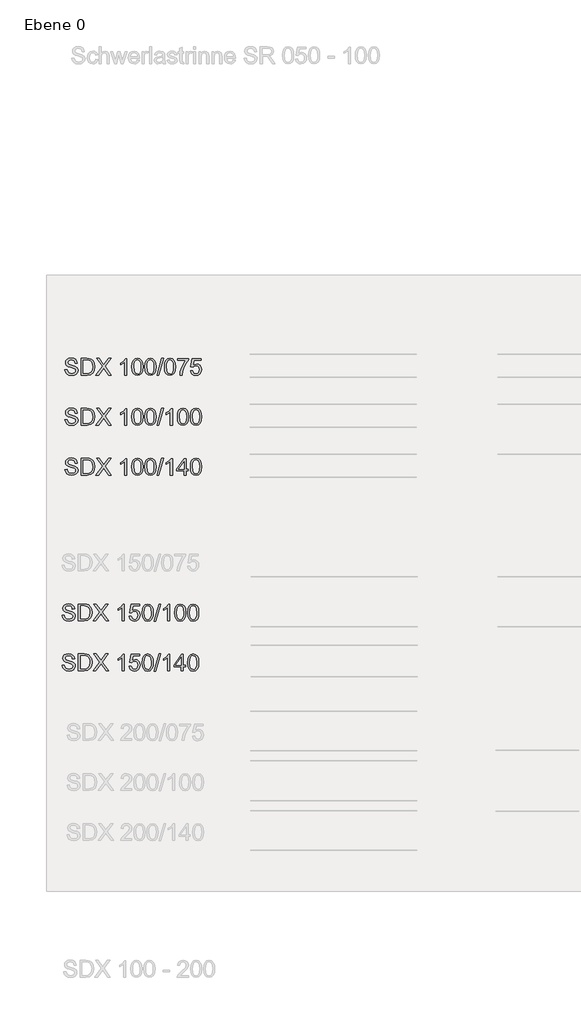
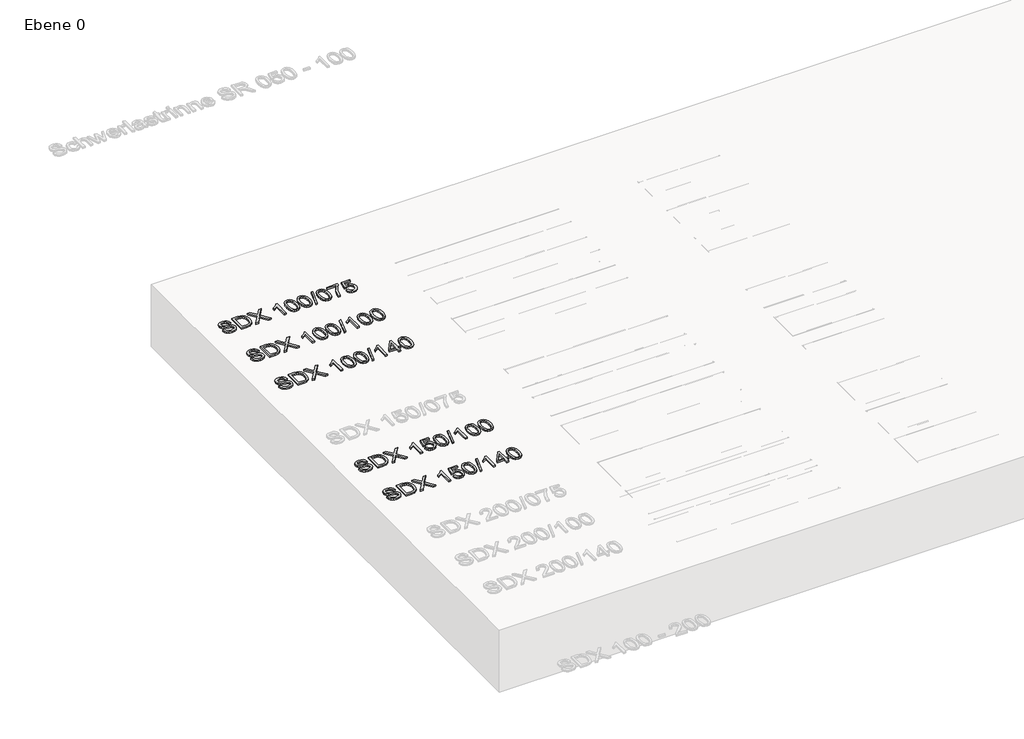
# One storey, part 3 of 8: 5 proxies.
"""IFC4 building model written with IfcOpenShell, lengths in millimetres."""

from ifc_helpers import new_model, si_unit, origin, origin_with_axes, place, context, project, spatial, polyline, outline, extrude, element, save

model = new_model("IFC4")

# Units and contexts
model_context = context("Model", 3, world=origin())
ifc_project = project(units=[si_unit("LENGTHUNIT", "METRE", prefix="MILLI")], contexts=[model_context])

# Site, building, storey
site = spatial("IfcSite", under=ifc_project)
building = spatial("IfcBuilding", under=site)
storey = spatial("IfcBuildingStorey", under=building, Name="Ebene 0", Elevation=0.0)

# Proxies
placement = place(None, origin())
element("IfcBuildingElementProxy", 1, Name="100mm ACO", ObjectType="100mm ACO", at=placement, inside=storey, context=model_context, shape_type="SweptSolid", body=[
    extrude(outline(polyline([(1621.9850927, 4120.9181462), (1619.9623434, 4129.8640826), (1615.4657279, 4136.2706682), (1608.4952464, 4140.1233508), (1599.0508987, 4141.4075784), (1583.3345729, 4137.4057362), (1578.794301, 4132.4907463), (1577.280877, 4125.7494612), (1581.7774925, 4115.6357145), (1600.0695495, 4109.3055277), (1620.020552, 4103.7902615), (1633.2484596, 4094.8115827), (1637.3739951, 4087.6883036), (1638.7491736, 4078.4840665), (1636.228013, 4066.5767668), (1628.6645312, 4056.8741184), (1617.0482746, 4050.4238764), (1602.3687898, 4048.2737957), (1584.2804629, 4050.6603489), (1571.401807, 4057.8200084), (1563.5436441, 4068.77778), (1560.5167961, 4082.5586695), (1573.5555257, 4083.6646331), (1576.2003796, 4072.7250517), (1582.4468915, 4065.2270546), (1591.3346193, 4060.8941509), (1601.9031208, 4059.4498496), (1619.1328706, 4064.2084038), (1624.0660507, 4069.814621), (1625.710444, 4077.116164), (1624.0114801, 4084.4868298), (1618.9145883, 4089.5437032), (1595.5001733, 4097.0380622), (1581.2063205, 4101.4037083), (1571.5618807, 4107.3118826), (1566.0720808, 4114.9845056), (1564.2421475, 4124.6434975), (1566.5377497, 4135.7031342), (1573.4245563, 4144.6672608), (1584.2695488, 4150.6045394), (1598.4397083, 4152.5836323), (1613.0864508, 4150.5899873), (1624.5462718, 4144.6090522), (1632.0988394, 4134.9609744), (1635.0238223, 4121.9659013), (1621.9850927, 4120.9181462)])), origin_with_axes(), (0.0, 0.0, 1.0), 10.0),
    extrude(outline(polyline([(1657.3759302, 4150.7209567), (1691.6025953, 4150.7209567), (1707.0860867, 4149.7896188), (1719.4845215, 4145.2638991), (1729.8311027, 4135.3538825), (1736.8015842, 4120.8453854), (1739.3336589, 4100.9816958), (1736.7288235, 4080.7287361), (1728.914317, 4064.4412383), (1714.7477955, 4053.7126631), (1693.086915, 4050.1364713), (1657.3759302, 4050.1364713), (1657.3759302, 4150.7209567)]), holes=[polyline([(1670.4146597, 4061.3125253), (1691.8645341, 4061.3125253), (1703.5790177, 4062.1565502), (1714.0420161, 4066.7113742), (1722.8169647, 4078.8769746), (1726.2949294, 4101.2727389), (1724.9561312, 4115.6502666), (1720.0375033, 4127.8304191), (1711.8155366, 4135.87776), (1702.7640971, 4138.9919209), (1691.4570738, 4139.5449027), (1670.4146597, 4139.5449027), (1670.4146597, 4061.3125253)])]), origin_with_axes(), (0.0, 0.0, 1.0), 10.0),
    extrude(outline(polyline([(1839.9181443, 4050.1364713), (1824.2018184, 4050.1364713), (1803.1594044, 4078.8333181), (1794.0497563, 4091.6392133), (1762.6753132, 4050.1364713), (1746.7843616, 4050.1364713), (1785.9587589, 4102.3495983), (1750.5097129, 4150.7209567), (1766.2260387, 4150.7209567), (1788.6363552, 4120.1323299), (1793.8751304, 4112.9435661), (1822.1936212, 4150.7209567), (1838.0554686, 4150.7209567), (1801.7332933, 4102.2622854), (1839.9181443, 4050.1364713)])), origin_with_axes(), (0.0, 0.0, 1.0), 10.0),
    extrude(outline(polyline([(1933.051927, 4050.1364713), (1920.0131974, 4050.1364713), (1920.0131974, 4128.3688488), (1895.7984139, 4113.4674436), (1895.7984139, 4122.7808219), (1914.1777838, 4134.5680662), (1925.6012243, 4148.858281), (1933.051927, 4148.858281), (1933.051927, 4050.1364713)])), origin_with_axes(), (0.0, 0.0, 1.0), 10.0),
    extrude(outline(polyline([(1996.3537949, 4150.7209567), (2011.0350988, 4147.5158448), (2021.5217445, 4137.9005094), (2027.8137318, 4121.8749503), (2029.911061, 4099.4391676), (2027.7427901, 4076.8360351), (2021.2379775, 4060.8905128), (2010.6803901, 4051.427975), (1996.3537949, 4048.2737957), (1981.6979573, 4051.4716314), (1971.2295018, 4061.0651387), (1964.9484285, 4077.0543174), (1962.8547374, 4099.4391676), (1965.0230083, 4122.038662), (1971.5278209, 4138.0314788), (1982.0708562, 4147.5485872), (1996.3537949, 4150.7209567)]), holes=[polyline([(1996.3828992, 4057.587174), (2005.274265, 4060.0355738), (2011.6917647, 4067.3807733), (2015.5771897, 4080.2921715), (2016.8723314, 4099.4391676), (2014.6021954, 4123.7994726), (2007.7481311, 4137.0419323), (1996.2373777, 4141.4075784), (1987.364202, 4138.9155221), (1981.0012729, 4131.4393532), (1977.1704185, 4118.4551942), (1975.893467, 4099.4391676), (1978.2072594, 4075.2389362), (1985.0613237, 4061.95282), (1996.3828992, 4057.587174)])]), origin_with_axes(), (0.0, 0.0, 1.0), 10.0),
    extrude(outline(polyline([(2074.5861724, 4150.7209567), (2089.2674763, 4147.5158448), (2099.7541219, 4137.9005094), (2106.0461093, 4121.8749503), (2108.1434384, 4099.4391676), (2105.9751676, 4076.8360351), (2099.4703549, 4060.8905128), (2088.9127675, 4051.427975), (2074.5861724, 4048.2737957), (2059.9303347, 4051.4716314), (2049.4618793, 4061.0651387), (2043.180806, 4077.0543174), (2041.0871149, 4099.4391676), (2043.2553858, 4122.038662), (2049.7601984, 4138.0314788), (2060.3032337, 4147.5485872), (2074.5861724, 4150.7209567)]), holes=[polyline([(2074.6152767, 4057.587174), (2083.5066425, 4060.0355738), (2089.9241422, 4067.3807733), (2093.8095672, 4080.2921715), (2095.1047089, 4099.4391676), (2092.8345729, 4123.7994726), (2085.9805086, 4137.0419323), (2074.4697551, 4141.4075784), (2065.5965795, 4138.9155221), (2059.2336504, 4131.4393532), (2055.4027959, 4118.4551942), (2054.1258445, 4099.4391676), (2056.4396369, 4075.2389362), (2063.2937012, 4061.95282), (2074.6152767, 4057.587174)])]), origin_with_axes(), (0.0, 0.0, 1.0), 10.0),
    extrude(outline(polyline([(2152.8476541, 4150.7209567), (2123.3358867, 4048.2737957), (2113.7314654, 4048.2737957), (2143.2432328, 4150.7209567), (2152.8476541, 4150.7209567)])), origin_with_axes(), (0.0, 0.0, 1.0), 10.0),
    extrude(outline(polyline([(2191.9347386, 4150.7209567), (2206.6160425, 4147.5158448), (2217.1026881, 4137.9005094), (2223.3946755, 4121.8749503), (2225.4920046, 4099.4391676), (2223.3237338, 4076.8360351), (2216.8189211, 4060.8905128), (2206.2613337, 4051.427975), (2191.9347386, 4048.2737957), (2177.2789009, 4051.4716314), (2166.8104455, 4061.0651387), (2160.5293722, 4077.0543174), (2158.4356811, 4099.4391676), (2160.603952, 4122.038662), (2167.1087646, 4138.0314788), (2177.6517999, 4147.5485872), (2191.9347386, 4150.7209567)]), holes=[polyline([(2191.9638429, 4057.587174), (2200.8552087, 4060.0355738), (2207.2727084, 4067.3807733), (2211.1581334, 4080.2921715), (2212.4532751, 4099.4391676), (2210.1831391, 4123.7994726), (2203.3290748, 4137.0419323), (2191.8183213, 4141.4075784), (2182.9451457, 4138.9155221), (2176.5822166, 4131.4393532), (2172.7513622, 4118.4551942), (2171.4744107, 4099.4391676), (2173.7882031, 4075.2389362), (2180.6422674, 4061.95282), (2191.9638429, 4057.587174)])]), origin_with_axes(), (0.0, 0.0, 1.0), 10.0),
    extrude(outline(polyline([(2303.7243821, 4141.4075784), (2289.6124312, 4121.7439809), (2277.5450579, 4099.3081982), (2268.7882995, 4075.1043288), (2264.6081934, 4050.1364713), (2251.5694638, 4050.1364713), (2254.4908086, 4071.4917567), (2262.2652967, 4094.7533741), (2287.4550745, 4139.5449027), (2236.6680586, 4139.5449027), (2236.6680586, 4148.858281), (2303.7243821, 4148.858281), (2303.7243821, 4141.4075784)])), origin_with_axes(), (0.0, 0.0, 1.0), 10.0),
    extrude(outline(polyline([(2332.4794375, 4112.6234187), (2351.2517156, 4117.1927949), (2362.8024875, 4114.9554013), (2372.7743507, 4108.2432205), (2379.6611574, 4097.8056883), (2381.9567596, 4084.3922408), (2379.5738444, 4070.4731059), (2372.425099, 4058.8095549), (2361.4127568, 4050.9077355), (2347.4390514, 4048.2737957), (2335.6299788, 4050.0928149), (2325.5235081, 4055.5498725), (2318.2401553, 4064.5722077), (2314.900436, 4077.0870597), (2327.9391656, 4078.0766062), (2334.7495735, 4062.6658756), (2347.5845729, 4057.587174), (2356.1994478, 4059.4716778), (2363.0098557, 4065.1251895), (2367.4409864, 4073.5363343), (2368.91803, 4083.6937374), (2367.4373484, 4093.7201712), (2362.9953035, 4101.3891561), (2356.2249141, 4106.2568515), (2347.7591988, 4107.8794166), (2337.361685, 4105.5146917), (2329.685424, 4098.4205168), (2316.7631117, 4099.9339408), (2326.5130546, 4148.858281), (2378.2314083, 4148.858281), (2378.2314083, 4139.5449027), (2337.8637343, 4139.5449027), (2332.4794375, 4112.6234187)])), origin_with_axes(), (0.0, 0.0, 1.0), 10.0),
])
element("IfcBuildingElementProxy", 2, Name="100mm ACO", ObjectType="100mm ACO", at=placement, inside=storey, context=model_context, shape_type="SweptSolid", body=[
    extrude(outline(polyline([(1621.9850927, 3820.9181462), (1619.9623434, 3829.8640826), (1615.4657279, 3836.2706682), (1608.4952464, 3840.1233508), (1599.0508987, 3841.4075784), (1583.3345729, 3837.4057362), (1578.794301, 3832.4907463), (1577.280877, 3825.7494612), (1581.7774925, 3815.6357145), (1600.0695495, 3809.3055277), (1620.020552, 3803.7902615), (1633.2484596, 3794.8115827), (1637.3739951, 3787.6883036), (1638.7491736, 3778.4840665), (1636.228013, 3766.5767668), (1628.6645312, 3756.8741184), (1617.0482746, 3750.4238764), (1602.3687898, 3748.2737957), (1584.2804629, 3750.6603489), (1571.401807, 3757.8200084), (1563.5436441, 3768.77778), (1560.5167961, 3782.5586695), (1573.5555257, 3783.6646331), (1576.2003796, 3772.7250517), (1582.4468915, 3765.2270546), (1591.3346193, 3760.8941509), (1601.9031208, 3759.4498496), (1619.1328706, 3764.2084038), (1624.0660507, 3769.814621), (1625.710444, 3777.116164), (1624.0114801, 3784.4868298), (1618.9145883, 3789.5437032), (1595.5001733, 3797.0380622), (1581.2063205, 3801.4037083), (1571.5618807, 3807.3118826), (1566.0720808, 3814.9845056), (1564.2421475, 3824.6434975), (1566.5377497, 3835.7031342), (1573.4245563, 3844.6672608), (1584.2695488, 3850.6045394), (1598.4397083, 3852.5836323), (1613.0864508, 3850.5899873), (1624.5462718, 3844.6090522), (1632.0988394, 3834.9609744), (1635.0238223, 3821.9659013), (1621.9850927, 3820.9181462)])), origin_with_axes(), (0.0, 0.0, 1.0), 10.0),
    extrude(outline(polyline([(1657.3759302, 3850.7209567), (1691.6025953, 3850.7209567), (1707.0860867, 3849.7896188), (1719.4845215, 3845.2638991), (1729.8311027, 3835.3538825), (1736.8015842, 3820.8453854), (1739.3336589, 3800.9816958), (1736.7288235, 3780.7287361), (1728.914317, 3764.4412383), (1714.7477955, 3753.7126631), (1693.086915, 3750.1364713), (1657.3759302, 3750.1364713), (1657.3759302, 3850.7209567)]), holes=[polyline([(1670.4146597, 3761.3125253), (1691.8645341, 3761.3125253), (1703.5790177, 3762.1565502), (1714.0420161, 3766.7113742), (1722.8169647, 3778.8769746), (1726.2949294, 3801.2727389), (1724.9561312, 3815.6502666), (1720.0375033, 3827.8304191), (1711.8155366, 3835.87776), (1702.7640971, 3838.9919209), (1691.4570738, 3839.5449027), (1670.4146597, 3839.5449027), (1670.4146597, 3761.3125253)])]), origin_with_axes(), (0.0, 0.0, 1.0), 10.0),
    extrude(outline(polyline([(1839.9181443, 3750.1364713), (1824.2018184, 3750.1364713), (1803.1594044, 3778.8333181), (1794.0497563, 3791.6392133), (1762.6753132, 3750.1364713), (1746.7843616, 3750.1364713), (1785.9587589, 3802.3495983), (1750.5097129, 3850.7209567), (1766.2260387, 3850.7209567), (1788.6363552, 3820.1323299), (1793.8751304, 3812.9435661), (1822.1936212, 3850.7209567), (1838.0554686, 3850.7209567), (1801.7332933, 3802.2622854), (1839.9181443, 3750.1364713)])), origin_with_axes(), (0.0, 0.0, 1.0), 10.0),
    extrude(outline(polyline([(1933.051927, 3750.1364713), (1920.0131974, 3750.1364713), (1920.0131974, 3828.3688488), (1895.7984139, 3813.4674436), (1895.7984139, 3822.7808219), (1914.1777838, 3834.5680662), (1925.6012243, 3848.858281), (1933.051927, 3848.858281), (1933.051927, 3750.1364713)])), origin_with_axes(), (0.0, 0.0, 1.0), 10.0),
    extrude(outline(polyline([(1996.3537949, 3850.7209567), (2011.0350988, 3847.5158448), (2021.5217445, 3837.9005094), (2027.8137318, 3821.8749503), (2029.911061, 3799.4391676), (2027.7427901, 3776.8360351), (2021.2379775, 3760.8905128), (2010.6803901, 3751.427975), (1996.3537949, 3748.2737957), (1981.6979573, 3751.4716314), (1971.2295018, 3761.0651387), (1964.9484285, 3777.0543174), (1962.8547374, 3799.4391676), (1965.0230083, 3822.038662), (1971.5278209, 3838.0314788), (1982.0708562, 3847.5485872), (1996.3537949, 3850.7209567)]), holes=[polyline([(1996.3828992, 3757.587174), (2005.274265, 3760.0355738), (2011.6917647, 3767.3807733), (2015.5771897, 3780.2921715), (2016.8723314, 3799.4391676), (2014.6021954, 3823.7994726), (2007.7481311, 3837.0419323), (1996.2373777, 3841.4075784), (1987.364202, 3838.9155221), (1981.0012729, 3831.4393532), (1977.1704185, 3818.4551942), (1975.893467, 3799.4391676), (1978.2072594, 3775.2389362), (1985.0613237, 3761.95282), (1996.3828992, 3757.587174)])]), origin_with_axes(), (0.0, 0.0, 1.0), 10.0),
    extrude(outline(polyline([(2074.5861724, 3850.7209567), (2089.2674763, 3847.5158448), (2099.7541219, 3837.9005094), (2106.0461093, 3821.8749503), (2108.1434384, 3799.4391676), (2105.9751676, 3776.8360351), (2099.4703549, 3760.8905128), (2088.9127675, 3751.427975), (2074.5861724, 3748.2737957), (2059.9303347, 3751.4716314), (2049.4618793, 3761.0651387), (2043.180806, 3777.0543174), (2041.0871149, 3799.4391676), (2043.2553858, 3822.038662), (2049.7601984, 3838.0314788), (2060.3032337, 3847.5485872), (2074.5861724, 3850.7209567)]), holes=[polyline([(2074.6152767, 3757.587174), (2083.5066425, 3760.0355738), (2089.9241422, 3767.3807733), (2093.8095672, 3780.2921715), (2095.1047089, 3799.4391676), (2092.8345729, 3823.7994726), (2085.9805086, 3837.0419323), (2074.4697551, 3841.4075784), (2065.5965795, 3838.9155221), (2059.2336504, 3831.4393532), (2055.4027959, 3818.4551942), (2054.1258445, 3799.4391676), (2056.4396369, 3775.2389362), (2063.2937012, 3761.95282), (2074.6152767, 3757.587174)])]), origin_with_axes(), (0.0, 0.0, 1.0), 10.0),
    extrude(outline(polyline([(2152.8476541, 3850.7209567), (2123.3358867, 3748.2737957), (2113.7314654, 3748.2737957), (2143.2432328, 3850.7209567), (2152.8476541, 3850.7209567)])), origin_with_axes(), (0.0, 0.0, 1.0), 10.0),
    extrude(outline(polyline([(2206.8652481, 3750.1364713), (2193.8265185, 3750.1364713), (2193.8265185, 3828.3688488), (2169.611735, 3813.4674436), (2169.611735, 3822.7808219), (2187.991105, 3834.5680662), (2199.4145455, 3848.858281), (2206.8652481, 3848.858281), (2206.8652481, 3750.1364713)])), origin_with_axes(), (0.0, 0.0, 1.0), 10.0),
    extrude(outline(polyline([(2270.167116, 3850.7209567), (2284.8484199, 3847.5158448), (2295.3350656, 3837.9005094), (2301.627053, 3821.8749503), (2303.7243821, 3799.4391676), (2301.5561112, 3776.8360351), (2295.0512986, 3760.8905128), (2284.4937112, 3751.427975), (2270.167116, 3748.2737957), (2255.5112784, 3751.4716314), (2245.0428229, 3761.0651387), (2238.7617497, 3777.0543174), (2236.6680586, 3799.4391676), (2238.8363295, 3822.038662), (2245.3411421, 3838.0314788), (2255.8841773, 3847.5485872), (2270.167116, 3850.7209567)]), holes=[polyline([(2270.1962203, 3757.587174), (2279.0875862, 3760.0355738), (2285.5050859, 3767.3807733), (2289.3905109, 3780.2921715), (2290.6856525, 3799.4391676), (2288.4155166, 3823.7994726), (2281.5614523, 3837.0419323), (2270.0506988, 3841.4075784), (2261.1775232, 3838.9155221), (2254.814594, 3831.4393532), (2250.9837396, 3818.4551942), (2249.7067882, 3799.4391676), (2252.0205806, 3775.2389362), (2258.8746449, 3761.95282), (2270.1962203, 3757.587174)])]), origin_with_axes(), (0.0, 0.0, 1.0), 10.0),
    extrude(outline(polyline([(2348.3994935, 3850.7209567), (2363.0807974, 3847.5158448), (2373.5674431, 3837.9005094), (2379.8594305, 3821.8749503), (2381.9567596, 3799.4391676), (2379.7884887, 3776.8360351), (2373.2836761, 3760.8905128), (2362.7260887, 3751.427975), (2348.3994935, 3748.2737957), (2333.7436559, 3751.4716314), (2323.2752004, 3761.0651387), (2316.9941271, 3777.0543174), (2314.900436, 3799.4391676), (2317.0687069, 3822.038662), (2323.5735196, 3838.0314788), (2334.1165548, 3847.5485872), (2348.3994935, 3850.7209567)]), holes=[polyline([(2348.4285978, 3757.587174), (2357.3199636, 3760.0355738), (2363.7374633, 3767.3807733), (2367.6228883, 3780.2921715), (2368.91803, 3799.4391676), (2366.6478941, 3823.7994726), (2359.7938297, 3837.0419323), (2348.2830763, 3841.4075784), (2339.4099007, 3838.9155221), (2333.0469715, 3831.4393532), (2329.2161171, 3818.4551942), (2327.9391656, 3799.4391676), (2330.252958, 3775.2389362), (2337.1070224, 3761.95282), (2348.4285978, 3757.587174)])]), origin_with_axes(), (0.0, 0.0, 1.0), 10.0),
])
element("IfcBuildingElementProxy", 3, Name="100mm ACO", ObjectType="100mm ACO", at=placement, inside=storey, context=model_context, shape_type="SweptSolid", body=[
    extrude(outline(polyline([(1621.9850927, 3520.9181462), (1619.9623434, 3529.8640826), (1615.4657279, 3536.2706682), (1608.4952464, 3540.1233508), (1599.0508987, 3541.4075784), (1583.3345729, 3537.4057362), (1578.794301, 3532.4907463), (1577.280877, 3525.7494612), (1581.7774925, 3515.6357145), (1600.0695495, 3509.3055277), (1620.020552, 3503.7902615), (1633.2484596, 3494.8115827), (1637.3739951, 3487.6883036), (1638.7491736, 3478.4840665), (1636.228013, 3466.5767668), (1628.6645312, 3456.8741184), (1617.0482746, 3450.4238764), (1602.3687898, 3448.2737957), (1584.2804629, 3450.6603489), (1571.401807, 3457.8200084), (1563.5436441, 3468.77778), (1560.5167961, 3482.5586695), (1573.5555257, 3483.6646331), (1576.2003796, 3472.7250517), (1582.4468915, 3465.2270546), (1591.3346193, 3460.8941509), (1601.9031208, 3459.4498496), (1619.1328706, 3464.2084038), (1624.0660507, 3469.814621), (1625.710444, 3477.116164), (1624.0114801, 3484.4868298), (1618.9145883, 3489.5437032), (1595.5001733, 3497.0380622), (1581.2063205, 3501.4037083), (1571.5618807, 3507.3118826), (1566.0720808, 3514.9845056), (1564.2421475, 3524.6434975), (1566.5377497, 3535.7031342), (1573.4245563, 3544.6672608), (1584.2695488, 3550.6045394), (1598.4397083, 3552.5836323), (1613.0864508, 3550.5899873), (1624.5462718, 3544.6090522), (1632.0988394, 3534.9609744), (1635.0238223, 3521.9659013), (1621.9850927, 3520.9181462)])), origin_with_axes(), (0.0, 0.0, 1.0), 10.0),
    extrude(outline(polyline([(1657.3759302, 3550.7209567), (1691.6025953, 3550.7209567), (1707.0860867, 3549.7896188), (1719.4845215, 3545.2638991), (1729.8311027, 3535.3538825), (1736.8015842, 3520.8453854), (1739.3336589, 3500.9816958), (1736.7288235, 3480.7287361), (1728.914317, 3464.4412383), (1714.7477955, 3453.7126631), (1693.086915, 3450.1364713), (1657.3759302, 3450.1364713), (1657.3759302, 3550.7209567)]), holes=[polyline([(1670.4146597, 3461.3125253), (1691.8645341, 3461.3125253), (1703.5790177, 3462.1565502), (1714.0420161, 3466.7113742), (1722.8169647, 3478.8769746), (1726.2949294, 3501.2727389), (1724.9561312, 3515.6502666), (1720.0375033, 3527.8304191), (1711.8155366, 3535.87776), (1702.7640971, 3538.9919209), (1691.4570738, 3539.5449027), (1670.4146597, 3539.5449027), (1670.4146597, 3461.3125253)])]), origin_with_axes(), (0.0, 0.0, 1.0), 10.0),
    extrude(outline(polyline([(1839.9181443, 3450.1364713), (1824.2018184, 3450.1364713), (1803.1594044, 3478.8333181), (1794.0497563, 3491.6392133), (1762.6753132, 3450.1364713), (1746.7843616, 3450.1364713), (1785.9587589, 3502.3495983), (1750.5097129, 3550.7209567), (1766.2260387, 3550.7209567), (1788.6363552, 3520.1323299), (1793.8751304, 3512.9435661), (1822.1936212, 3550.7209567), (1838.0554686, 3550.7209567), (1801.7332933, 3502.2622854), (1839.9181443, 3450.1364713)])), origin_with_axes(), (0.0, 0.0, 1.0), 10.0),
    extrude(outline(polyline([(1933.051927, 3450.1364713), (1920.0131974, 3450.1364713), (1920.0131974, 3528.3688488), (1895.7984139, 3513.4674436), (1895.7984139, 3522.7808219), (1914.1777838, 3534.5680662), (1925.6012243, 3548.858281), (1933.051927, 3548.858281), (1933.051927, 3450.1364713)])), origin_with_axes(), (0.0, 0.0, 1.0), 10.0),
    extrude(outline(polyline([(1996.3537949, 3550.7209567), (2011.0350988, 3547.5158448), (2021.5217445, 3537.9005094), (2027.8137318, 3521.8749503), (2029.911061, 3499.4391676), (2027.7427901, 3476.8360351), (2021.2379775, 3460.8905128), (2010.6803901, 3451.427975), (1996.3537949, 3448.2737957), (1981.6979573, 3451.4716314), (1971.2295018, 3461.0651387), (1964.9484285, 3477.0543174), (1962.8547374, 3499.4391676), (1965.0230083, 3522.038662), (1971.5278209, 3538.0314788), (1982.0708562, 3547.5485872), (1996.3537949, 3550.7209567)]), holes=[polyline([(1996.3828992, 3457.587174), (2005.274265, 3460.0355738), (2011.6917647, 3467.3807733), (2015.5771897, 3480.2921715), (2016.8723314, 3499.4391676), (2014.6021954, 3523.7994726), (2007.7481311, 3537.0419323), (1996.2373777, 3541.4075784), (1987.364202, 3538.9155221), (1981.0012729, 3531.4393532), (1977.1704185, 3518.4551942), (1975.893467, 3499.4391676), (1978.2072594, 3475.2389362), (1985.0613237, 3461.95282), (1996.3828992, 3457.587174)])]), origin_with_axes(), (0.0, 0.0, 1.0), 10.0),
    extrude(outline(polyline([(2074.5861724, 3550.7209567), (2089.2674763, 3547.5158448), (2099.7541219, 3537.9005094), (2106.0461093, 3521.8749503), (2108.1434384, 3499.4391676), (2105.9751676, 3476.8360351), (2099.4703549, 3460.8905128), (2088.9127675, 3451.427975), (2074.5861724, 3448.2737957), (2059.9303347, 3451.4716314), (2049.4618793, 3461.0651387), (2043.180806, 3477.0543174), (2041.0871149, 3499.4391676), (2043.2553858, 3522.038662), (2049.7601984, 3538.0314788), (2060.3032337, 3547.5485872), (2074.5861724, 3550.7209567)]), holes=[polyline([(2074.6152767, 3457.587174), (2083.5066425, 3460.0355738), (2089.9241422, 3467.3807733), (2093.8095672, 3480.2921715), (2095.1047089, 3499.4391676), (2092.8345729, 3523.7994726), (2085.9805086, 3537.0419323), (2074.4697551, 3541.4075784), (2065.5965795, 3538.9155221), (2059.2336504, 3531.4393532), (2055.4027959, 3518.4551942), (2054.1258445, 3499.4391676), (2056.4396369, 3475.2389362), (2063.2937012, 3461.95282), (2074.6152767, 3457.587174)])]), origin_with_axes(), (0.0, 0.0, 1.0), 10.0),
    extrude(outline(polyline([(2152.8476541, 3550.7209567), (2123.3358867, 3448.2737957), (2113.7314654, 3448.2737957), (2143.2432328, 3550.7209567), (2152.8476541, 3550.7209567)])), origin_with_axes(), (0.0, 0.0, 1.0), 10.0),
    extrude(outline(polyline([(2206.8652481, 3450.1364713), (2193.8265185, 3450.1364713), (2193.8265185, 3528.3688488), (2169.611735, 3513.4674436), (2169.611735, 3522.7808219), (2187.991105, 3534.5680662), (2199.4145455, 3548.858281), (2206.8652481, 3548.858281), (2206.8652481, 3450.1364713)])), origin_with_axes(), (0.0, 0.0, 1.0), 10.0),
    extrude(outline(polyline([(2301.8617065, 3474.3512549), (2288.8229769, 3474.3512549), (2288.8229769, 3450.1364713), (2275.7842473, 3450.1364713), (2275.7842473, 3474.3512549), (2232.9427073, 3474.3512549), (2232.9427073, 3483.6646331), (2278.1125919, 3548.858281), (2288.8229769, 3548.858281), (2288.8229769, 3483.6646331), (2301.8617065, 3483.6646331), (2301.8617065, 3474.3512549)]), holes=[polyline([(2275.7842473, 3483.6646331), (2275.7842473, 3529.8240642), (2243.8277181, 3483.6646331), (2275.7842473, 3483.6646331)])]), origin_with_axes(), (0.0, 0.0, 1.0), 10.0),
    extrude(outline(polyline([(2348.3994935, 3550.7209567), (2363.0807974, 3547.5158448), (2373.5674431, 3537.9005094), (2379.8594305, 3521.8749503), (2381.9567596, 3499.4391676), (2379.7884887, 3476.8360351), (2373.2836761, 3460.8905128), (2362.7260887, 3451.427975), (2348.3994935, 3448.2737957), (2333.7436559, 3451.4716314), (2323.2752004, 3461.0651387), (2316.9941271, 3477.0543174), (2314.900436, 3499.4391676), (2317.0687069, 3522.038662), (2323.5735196, 3538.0314788), (2334.1165548, 3547.5485872), (2348.3994935, 3550.7209567)]), holes=[polyline([(2348.4285978, 3457.587174), (2357.3199636, 3460.0355738), (2363.7374633, 3467.3807733), (2367.6228883, 3480.2921715), (2368.91803, 3499.4391676), (2366.6478941, 3523.7994726), (2359.7938297, 3537.0419323), (2348.2830763, 3541.4075784), (2339.4099007, 3538.9155221), (2333.0469715, 3531.4393532), (2329.2161171, 3518.4551942), (2327.9391656, 3499.4391676), (2330.252958, 3475.2389362), (2337.1070224, 3461.95282), (2348.4285978, 3457.587174)])]), origin_with_axes(), (0.0, 0.0, 1.0), 10.0),
])
element("IfcBuildingElementProxy", 4, Name="100mm ACO", ObjectType="100mm ACO", at=placement, inside=storey, context=model_context, shape_type="SweptSolid", body=[
    extrude(outline(polyline([(1605.5146668, 2644.899005), (1603.4919175, 2653.8449414), (1598.995302, 2660.251527), (1592.0248205, 2664.1042096), (1582.5804728, 2665.3884372), (1566.864147, 2661.3865949), (1562.3238751, 2656.4716051), (1560.8104511, 2649.73032), (1565.3070666, 2639.6165732), (1583.5991236, 2633.2863864), (1603.5501261, 2627.7711203), (1616.7780337, 2618.7924415), (1620.9035692, 2611.6691624), (1622.2787477, 2602.4649252), (1619.7575871, 2590.5576256), (1612.1941053, 2580.8549772), (1600.5778487, 2574.4047352), (1585.8983638, 2572.2546545), (1567.810037, 2574.6412077), (1554.9313811, 2581.8008672), (1547.0732182, 2592.7586388), (1544.0463702, 2606.5395282), (1557.0850998, 2607.6454919), (1559.7299537, 2596.7059105), (1565.9764656, 2589.2079134), (1574.8641934, 2584.8750096), (1585.4326949, 2583.4307084), (1602.6624447, 2588.1892626), (1607.5956248, 2593.7954798), (1609.2400181, 2601.0970228), (1607.5410542, 2608.4676886), (1602.4441624, 2613.5245619), (1579.0297474, 2621.018921), (1564.7358945, 2625.3845671), (1555.0914548, 2631.2927414), (1549.6016548, 2638.9653644), (1547.7717215, 2648.6243563), (1550.0673238, 2659.683993), (1556.9541304, 2668.6481196), (1567.7991229, 2674.5853982), (1581.9692824, 2676.5644911), (1596.6160249, 2674.5708461), (1608.0758458, 2668.589911), (1615.6284135, 2658.9418332), (1618.5533964, 2645.94676), (1605.5146668, 2644.899005)])), origin_with_axes(), (0.0, 0.0, 1.0), 10.0),
    extrude(outline(polyline([(1640.9055042, 2674.7018154), (1675.1321694, 2674.7018154), (1690.6156608, 2673.7704776), (1703.0140956, 2669.2447579), (1713.3606768, 2659.3347413), (1720.3311583, 2644.8262442), (1722.863233, 2624.9625546), (1720.2583975, 2604.7095949), (1712.4438911, 2588.4220971), (1698.2773696, 2577.6935219), (1676.616489, 2574.1173301), (1640.9055042, 2574.1173301), (1640.9055042, 2674.7018154)]), holes=[polyline([(1653.9442338, 2585.293384), (1675.3941081, 2585.293384), (1687.1085918, 2586.137409), (1697.5715902, 2590.692233), (1706.3465387, 2602.8578334), (1709.8245034, 2625.2535977), (1708.4857053, 2639.6311254), (1703.5670774, 2651.8112779), (1695.3451107, 2659.8586188), (1686.2936712, 2662.9727797), (1674.9866478, 2663.5257615), (1653.9442338, 2663.5257615), (1653.9442338, 2585.293384)])]), origin_with_axes(), (0.0, 0.0, 1.0), 10.0),
    extrude(outline(polyline([(1823.4477183, 2574.1173301), (1807.7313925, 2574.1173301), (1786.6889785, 2602.8141769), (1777.5793304, 2615.620072), (1746.2048873, 2574.1173301), (1730.3139356, 2574.1173301), (1769.488333, 2626.3304571), (1734.0392869, 2674.7018154), (1749.7556128, 2674.7018154), (1772.1659292, 2644.1131887), (1777.4047045, 2636.9244248), (1805.7231953, 2674.7018154), (1821.5850427, 2674.7018154), (1785.2628674, 2626.2431441), (1823.4477183, 2574.1173301)])), origin_with_axes(), (0.0, 0.0, 1.0), 10.0),
    extrude(outline(polyline([(1916.581501, 2574.1173301), (1903.5427715, 2574.1173301), (1903.5427715, 2652.3497076), (1879.327988, 2637.4483024), (1879.327988, 2646.7616806), (1897.7073579, 2658.548925), (1909.1307984, 2672.8391398), (1916.581501, 2672.8391398), (1916.581501, 2574.1173301)])), origin_with_axes(), (0.0, 0.0, 1.0), 10.0),
    extrude(outline(polyline([(1963.963313, 2636.6042775), (1982.7355911, 2641.1736537), (1994.2863629, 2638.9362601), (2004.2582262, 2632.2240792), (2011.1450328, 2621.7865471), (2013.4406351, 2608.3730996), (2011.0577199, 2594.4539647), (2003.9089745, 2582.7904136), (1992.8966323, 2574.8885943), (1978.9229268, 2572.2546545), (1967.1138542, 2574.0736737), (1957.0073836, 2579.5307312), (1949.7240307, 2588.5530664), (1946.3843115, 2601.0679185), (1959.4230411, 2602.0574649), (1966.2334489, 2586.6467343), (1979.0684484, 2581.5680327), (1987.6833233, 2583.4525366), (1994.4937311, 2589.1060483), (1998.9248619, 2597.517193), (2000.4019055, 2607.6745962), (1998.9212239, 2617.70103), (1994.479179, 2625.3700149), (1987.7087895, 2630.2377103), (1979.2430742, 2631.8602754), (1968.8455605, 2629.4955504), (1961.1692995, 2622.4013756), (1948.2469872, 2623.9147996), (1957.99693, 2672.8391398), (2009.7152837, 2672.8391398), (2009.7152837, 2663.5257615), (1969.3476098, 2663.5257615), (1963.963313, 2636.6042775)])), origin_with_axes(), (0.0, 0.0, 1.0), 10.0),
    extrude(outline(polyline([(2058.1157464, 2674.7018154), (2072.7970504, 2671.4967036), (2083.283696, 2661.8813682), (2089.5756834, 2645.8558091), (2091.6730125, 2623.4200263), (2089.5047416, 2600.8168938), (2082.999929, 2584.8713716), (2072.4423416, 2575.4088338), (2058.1157464, 2572.2546545), (2043.4599088, 2575.4524902), (2032.9914533, 2585.0459974), (2026.7103801, 2601.0351761), (2024.616689, 2623.4200263), (2026.7849599, 2646.0195208), (2033.2897725, 2662.0123376), (2043.8328077, 2671.529446), (2058.1157464, 2674.7018154)]), holes=[polyline([(2058.1448507, 2581.5680327), (2067.0362166, 2584.0164326), (2073.4537163, 2591.3616321), (2077.3391413, 2604.2730303), (2078.6342829, 2623.4200263), (2076.364147, 2647.7803314), (2069.5100827, 2661.0227911), (2057.9993292, 2665.3884372), (2049.1261536, 2662.8963809), (2042.7632245, 2655.420212), (2038.93237, 2642.436053), (2037.6554186, 2623.4200263), (2039.969211, 2599.219795), (2046.8232753, 2585.9336788), (2058.1448507, 2581.5680327)])]), origin_with_axes(), (0.0, 0.0, 1.0), 10.0),
    extrude(outline(polyline([(2136.3772282, 2674.7018154), (2106.8654608, 2572.2546545), (2097.2610395, 2572.2546545), (2126.7728069, 2674.7018154), (2136.3772282, 2674.7018154)])), origin_with_axes(), (0.0, 0.0, 1.0), 10.0),
    extrude(outline(polyline([(2190.3948222, 2574.1173301), (2177.3560926, 2574.1173301), (2177.3560926, 2652.3497076), (2153.1413091, 2637.4483024), (2153.1413091, 2646.7616806), (2171.520679, 2658.548925), (2182.9441196, 2672.8391398), (2190.3948222, 2672.8391398), (2190.3948222, 2574.1173301)])), origin_with_axes(), (0.0, 0.0, 1.0), 10.0),
    extrude(outline(polyline([(2253.6966901, 2674.7018154), (2268.377994, 2671.4967036), (2278.8646397, 2661.8813682), (2285.1566271, 2645.8558091), (2287.2539562, 2623.4200263), (2285.0856853, 2600.8168938), (2278.5808727, 2584.8713716), (2268.0232853, 2575.4088338), (2253.6966901, 2572.2546545), (2239.0408525, 2575.4524902), (2228.572397, 2585.0459974), (2222.2913237, 2601.0351761), (2220.1976327, 2623.4200263), (2222.3659035, 2646.0195208), (2228.8707162, 2662.0123376), (2239.4137514, 2671.529446), (2253.6966901, 2674.7018154)]), holes=[polyline([(2253.7257944, 2581.5680327), (2262.6171602, 2584.0164326), (2269.03466, 2591.3616321), (2272.920085, 2604.2730303), (2274.2152266, 2623.4200263), (2271.9450907, 2647.7803314), (2265.0910263, 2661.0227911), (2253.5802729, 2665.3884372), (2244.7070973, 2662.8963809), (2238.3441681, 2655.420212), (2234.5133137, 2642.436053), (2233.2363622, 2623.4200263), (2235.5501546, 2599.219795), (2242.404219, 2585.9336788), (2253.7257944, 2581.5680327)])]), origin_with_axes(), (0.0, 0.0, 1.0), 10.0),
    extrude(outline(polyline([(2331.9290676, 2674.7018154), (2346.6103715, 2671.4967036), (2357.0970171, 2661.8813682), (2363.3890045, 2645.8558091), (2365.4863337, 2623.4200263), (2363.3180628, 2600.8168938), (2356.8132502, 2584.8713716), (2346.2556628, 2575.4088338), (2331.9290676, 2572.2546545), (2317.2732299, 2575.4524902), (2306.8047745, 2585.0459974), (2300.5237012, 2601.0351761), (2298.4300101, 2623.4200263), (2300.598281, 2646.0195208), (2307.1030936, 2662.0123376), (2317.6461289, 2671.529446), (2331.9290676, 2674.7018154)]), holes=[polyline([(2331.9581719, 2581.5680327), (2340.8495377, 2584.0164326), (2347.2670374, 2591.3616321), (2351.1524624, 2604.2730303), (2352.4476041, 2623.4200263), (2350.1774681, 2647.7803314), (2343.3234038, 2661.0227911), (2331.8126504, 2665.3884372), (2322.9394747, 2662.8963809), (2316.5765456, 2655.420212), (2312.7456912, 2642.436053), (2311.4687397, 2623.4200263), (2313.7825321, 2599.219795), (2320.6365964, 2585.9336788), (2331.9581719, 2581.5680327)])]), origin_with_axes(), (0.0, 0.0, 1.0), 10.0),
])
element("IfcBuildingElementProxy", 5, Name="100mm ACO", ObjectType="100mm ACO", at=placement, inside=storey, context=model_context, shape_type="SweptSolid", body=[
    extrude(outline(polyline([(1605.5146668, 2344.899005), (1603.4919175, 2353.8449414), (1598.995302, 2360.251527), (1592.0248205, 2364.1042096), (1582.5804728, 2365.3884372), (1566.864147, 2361.3865949), (1562.3238751, 2356.4716051), (1560.8104511, 2349.73032), (1565.3070666, 2339.6165732), (1583.5991236, 2333.2863864), (1603.5501261, 2327.7711203), (1616.7780337, 2318.7924415), (1620.9035692, 2311.6691624), (1622.2787477, 2302.4649252), (1619.7575871, 2290.5576256), (1612.1941053, 2280.8549772), (1600.5778487, 2274.4047352), (1585.8983638, 2272.2546545), (1567.810037, 2274.6412077), (1554.9313811, 2281.8008672), (1547.0732182, 2292.7586388), (1544.0463702, 2306.5395282), (1557.0850998, 2307.6454919), (1559.7299537, 2296.7059105), (1565.9764656, 2289.2079134), (1574.8641934, 2284.8750096), (1585.4326949, 2283.4307084), (1602.6624447, 2288.1892626), (1607.5956248, 2293.7954798), (1609.2400181, 2301.0970228), (1607.5410542, 2308.4676886), (1602.4441624, 2313.5245619), (1579.0297474, 2321.018921), (1564.7358945, 2325.3845671), (1555.0914548, 2331.2927414), (1549.6016548, 2338.9653644), (1547.7717215, 2348.6243563), (1550.0673238, 2359.683993), (1556.9541304, 2368.6481196), (1567.7991229, 2374.5853982), (1581.9692824, 2376.5644911), (1596.6160249, 2374.5708461), (1608.0758458, 2368.589911), (1615.6284135, 2358.9418332), (1618.5533964, 2345.94676), (1605.5146668, 2344.899005)])), origin_with_axes(), (0.0, 0.0, 1.0), 10.0),
    extrude(outline(polyline([(1640.9055042, 2374.7018154), (1675.1321694, 2374.7018154), (1690.6156608, 2373.7704776), (1703.0140956, 2369.2447579), (1713.3606768, 2359.3347413), (1720.3311583, 2344.8262442), (1722.863233, 2324.9625546), (1720.2583975, 2304.7095949), (1712.4438911, 2288.4220971), (1698.2773696, 2277.6935219), (1676.616489, 2274.1173301), (1640.9055042, 2274.1173301), (1640.9055042, 2374.7018154)]), holes=[polyline([(1653.9442338, 2285.293384), (1675.3941081, 2285.293384), (1687.1085918, 2286.137409), (1697.5715902, 2290.692233), (1706.3465387, 2302.8578334), (1709.8245034, 2325.2535977), (1708.4857053, 2339.6311254), (1703.5670774, 2351.8112779), (1695.3451107, 2359.8586188), (1686.2936712, 2362.9727797), (1674.9866478, 2363.5257615), (1653.9442338, 2363.5257615), (1653.9442338, 2285.293384)])]), origin_with_axes(), (0.0, 0.0, 1.0), 10.0),
    extrude(outline(polyline([(1823.4477183, 2274.1173301), (1807.7313925, 2274.1173301), (1786.6889785, 2302.8141769), (1777.5793304, 2315.620072), (1746.2048873, 2274.1173301), (1730.3139356, 2274.1173301), (1769.488333, 2326.3304571), (1734.0392869, 2374.7018154), (1749.7556128, 2374.7018154), (1772.1659292, 2344.1131887), (1777.4047045, 2336.9244248), (1805.7231953, 2374.7018154), (1821.5850427, 2374.7018154), (1785.2628674, 2326.2431441), (1823.4477183, 2274.1173301)])), origin_with_axes(), (0.0, 0.0, 1.0), 10.0),
    extrude(outline(polyline([(1916.581501, 2274.1173301), (1903.5427715, 2274.1173301), (1903.5427715, 2352.3497076), (1879.327988, 2337.4483024), (1879.327988, 2346.7616806), (1897.7073579, 2358.548925), (1909.1307984, 2372.8391398), (1916.581501, 2372.8391398), (1916.581501, 2274.1173301)])), origin_with_axes(), (0.0, 0.0, 1.0), 10.0),
    extrude(outline(polyline([(1963.963313, 2336.6042775), (1982.7355911, 2341.1736537), (1994.2863629, 2338.9362601), (2004.2582262, 2332.2240792), (2011.1450328, 2321.7865471), (2013.4406351, 2308.3730996), (2011.0577199, 2294.4539647), (2003.9089745, 2282.7904136), (1992.8966323, 2274.8885943), (1978.9229268, 2272.2546545), (1967.1138542, 2274.0736737), (1957.0073836, 2279.5307312), (1949.7240307, 2288.5530664), (1946.3843115, 2301.0679185), (1959.4230411, 2302.0574649), (1966.2334489, 2286.6467343), (1979.0684484, 2281.5680327), (1987.6833233, 2283.4525366), (1994.4937311, 2289.1060483), (1998.9248619, 2297.517193), (2000.4019055, 2307.6745962), (1998.9212239, 2317.70103), (1994.479179, 2325.3700149), (1987.7087895, 2330.2377103), (1979.2430742, 2331.8602754), (1968.8455605, 2329.4955504), (1961.1692995, 2322.4013756), (1948.2469872, 2323.9147996), (1957.99693, 2372.8391398), (2009.7152837, 2372.8391398), (2009.7152837, 2363.5257615), (1969.3476098, 2363.5257615), (1963.963313, 2336.6042775)])), origin_with_axes(), (0.0, 0.0, 1.0), 10.0),
    extrude(outline(polyline([(2058.1157464, 2374.7018154), (2072.7970504, 2371.4967036), (2083.283696, 2361.8813682), (2089.5756834, 2345.8558091), (2091.6730125, 2323.4200263), (2089.5047416, 2300.8168938), (2082.999929, 2284.8713716), (2072.4423416, 2275.4088338), (2058.1157464, 2272.2546545), (2043.4599088, 2275.4524902), (2032.9914533, 2285.0459974), (2026.7103801, 2301.0351761), (2024.616689, 2323.4200263), (2026.7849599, 2346.0195208), (2033.2897725, 2362.0123376), (2043.8328077, 2371.529446), (2058.1157464, 2374.7018154)]), holes=[polyline([(2058.1448507, 2281.5680327), (2067.0362166, 2284.0164326), (2073.4537163, 2291.3616321), (2077.3391413, 2304.2730303), (2078.6342829, 2323.4200263), (2076.364147, 2347.7803314), (2069.5100827, 2361.0227911), (2057.9993292, 2365.3884372), (2049.1261536, 2362.8963809), (2042.7632245, 2355.420212), (2038.93237, 2342.436053), (2037.6554186, 2323.4200263), (2039.969211, 2299.219795), (2046.8232753, 2285.9336788), (2058.1448507, 2281.5680327)])]), origin_with_axes(), (0.0, 0.0, 1.0), 10.0),
    extrude(outline(polyline([(2136.3772282, 2374.7018154), (2106.8654608, 2272.2546545), (2097.2610395, 2272.2546545), (2126.7728069, 2374.7018154), (2136.3772282, 2374.7018154)])), origin_with_axes(), (0.0, 0.0, 1.0), 10.0),
    extrude(outline(polyline([(2190.3948222, 2274.1173301), (2177.3560926, 2274.1173301), (2177.3560926, 2352.3497076), (2153.1413091, 2337.4483024), (2153.1413091, 2346.7616806), (2171.520679, 2358.548925), (2182.9441196, 2372.8391398), (2190.3948222, 2372.8391398), (2190.3948222, 2274.1173301)])), origin_with_axes(), (0.0, 0.0, 1.0), 10.0),
    extrude(outline(polyline([(2285.3912805, 2298.3321136), (2272.352551, 2298.3321136), (2272.352551, 2274.1173301), (2259.3138214, 2274.1173301), (2259.3138214, 2298.3321136), (2216.4722813, 2298.3321136), (2216.4722813, 2307.6454919), (2261.642166, 2372.8391398), (2272.352551, 2372.8391398), (2272.352551, 2307.6454919), (2285.3912805, 2307.6454919), (2285.3912805, 2298.3321136)]), holes=[polyline([(2259.3138214, 2307.6454919), (2259.3138214, 2353.8049229), (2227.3572922, 2307.6454919), (2259.3138214, 2307.6454919)])]), origin_with_axes(), (0.0, 0.0, 1.0), 10.0),
    extrude(outline(polyline([(2331.9290676, 2374.7018154), (2346.6103715, 2371.4967036), (2357.0970171, 2361.8813682), (2363.3890045, 2345.8558091), (2365.4863337, 2323.4200263), (2363.3180628, 2300.8168938), (2356.8132502, 2284.8713716), (2346.2556628, 2275.4088338), (2331.9290676, 2272.2546545), (2317.2732299, 2275.4524902), (2306.8047745, 2285.0459974), (2300.5237012, 2301.0351761), (2298.4300101, 2323.4200263), (2300.598281, 2346.0195208), (2307.1030936, 2362.0123376), (2317.6461289, 2371.529446), (2331.9290676, 2374.7018154)]), holes=[polyline([(2331.9581719, 2281.5680327), (2340.8495377, 2284.0164326), (2347.2670374, 2291.3616321), (2351.1524624, 2304.2730303), (2352.4476041, 2323.4200263), (2350.1774681, 2347.7803314), (2343.3234038, 2361.0227911), (2331.8126504, 2365.3884372), (2322.9394747, 2362.8963809), (2316.5765456, 2355.420212), (2312.7456912, 2342.436053), (2311.4687397, 2323.4200263), (2313.7825321, 2299.219795), (2320.6365964, 2285.9336788), (2331.9581719, 2281.5680327)])]), origin_with_axes(), (0.0, 0.0, 1.0), 10.0),
])

save(model, "model.ifc")
